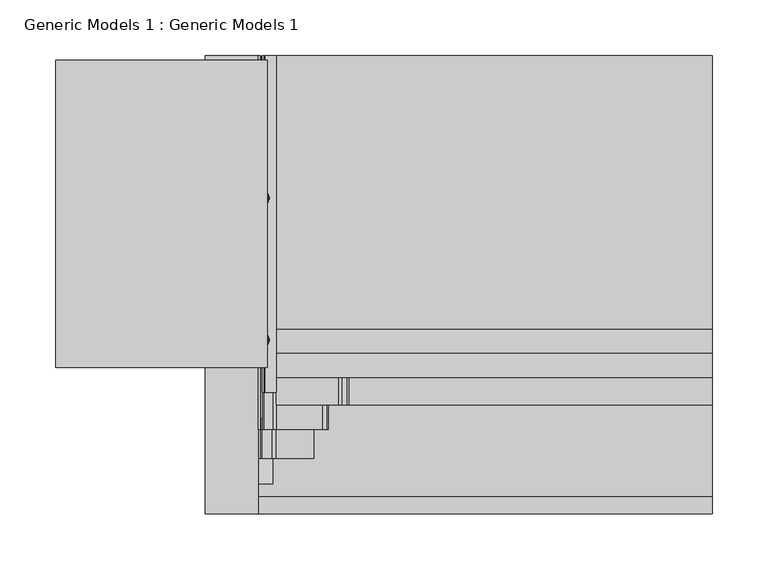
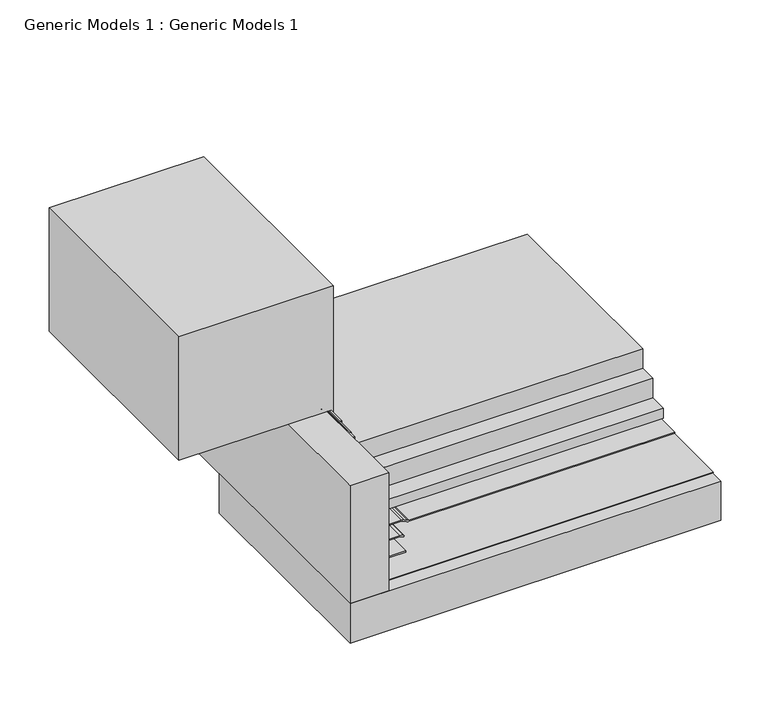
"""IFC4 building model written with IfcOpenShell, lengths in millimetres: proxy geometry, Generic Models 1 : Generic Models 1."""

from ifc_helpers import new_model, si_unit, point, frame, frame_2d, origin, place, context, project, spatial, polyline, circle_curve, trimmed, segment, composite_curve, outline, extrude, source, transform, mapped, element, save
from ifc_brep_helpers import plane_surface, cylinder_surface, revolved_surface, advanced_brep


def generic_models_1_generic_models_1_4bc84aa1(model_context):
    return source(origin(), model_context, "Body", "SolidModel", [
        extrude(outline(polyline([(96.0545081, 393.8469389), (487.9169046, 393.8469389), (487.9169046, 149.7652949), (96.0545081, 149.7652949), (96.0545081, 393.8469389)])), frame((0.0, 0.0, 233.3625), z_axis=(0.0, 0.0, 1.0), x_axis=(1.0, 0.0, 0.0)), (0.0, 0.0, 1.0), 25.4),
        extrude(outline(polyline([(96.0545081, 393.8469389), (487.9169046, 393.8469389), (487.9169046, 128.3782106), (96.0545081, 128.3782106), (96.0545081, 393.8469389)])), frame((0.0, 0.0, 207.9625), z_axis=(0.0, 0.0, 1.0), x_axis=(1.0, 0.0, 0.0)), (0.0, 0.0, 1.0), 25.4),
        extrude(outline(polyline([(96.0545081, 393.8469389), (487.9169046, 393.8469389), (487.9169046, 106.2450425), (96.0545081, 106.2450425), (96.0545081, 393.8469389)])), frame((0.0, 0.0, 195.2625), z_axis=(0.0, 0.0, 1.0), x_axis=(1.0, 0.0, 0.0)), (0.0, 0.0, 1.0), 12.7),
        extrude(outline(polyline([(35.0378202, 261.3017557), (487.9169046, 261.3017557), (487.9169046, -15.8013273), (35.0378202, -15.8013273), (35.0378202, 261.3017557)])), frame((0.0, 0.0, 137.31875), z_axis=(0.0, 0.0, 1.0), x_axis=(1.0, 0.0, 0.0)), (0.0, 0.0, 1.0), 50.8),
        extrude(outline(polyline([(340.51875, 87.3125), (310.5791141, 87.3125), (310.5791141, 90.4513986), (499.9960988, 90.4513986), (499.9960988, -98.425), (340.51875, -98.425), (340.51875, 87.3125)])), frame((0.0, 115.2679192, 0.0), z_axis=(0.0, 1.0, 0.0), x_axis=(0.0, 0.0, 1.0)), (0.0, 0.0, 1.0), 274.739507),
        extrude(outline(composite_curve([segment(trimmed(circle_curve(frame_2d((339.725, 84.93125)), 0.79375), [point((339.725, 85.725))], [point((339.725, 84.1375))], False, "CARTESIAN"), True, "CONTINUOUS"), segment(polyline([(339.725, 84.1375), (314.5968614, 84.1375)]), True, "CONTINUOUS"), segment(trimmed(circle_curve(frame_2d((314.5968614, 84.93125)), 0.79375), [point((314.5968614, 84.1375))], [point((314.5968614, 85.725))], False, "CARTESIAN"), True, "CONTINUOUS"), segment(polyline([(314.5968614, 85.725), (339.725, 85.725)]), True, "CONTINUOUS")], self_intersect=False)), frame((0.0, 69.4715508, 0.0), z_axis=(0.0, 1.0, 0.0), x_axis=(0.0, 0.0, 1.0)), (0.0, 0.0, 1.0), 235.3284492),
        extrude(outline(composite_curve([segment(polyline([(340.51875, 87.3125), (340.51875, 85.725), (274.6141889, 85.725)]), True, "CONTINUOUS"), segment(trimmed(circle_curve(frame_2d((274.6141889, 90.4875)), 4.7625), [point((274.6141889, 85.725))], [point((271.2465929, 87.119904))], False, "CARTESIAN"), True, "CONTINUOUS"), segment(polyline([(271.2465929, 87.119904), (261.1186627, 97.2478341), (262.2411947, 98.3703662), (272.3691249, 88.242436)]), True, "CONTINUOUS"), segment(trimmed(circle_curve(frame_2d((274.6141889, 90.4875)), 3.175), [point((272.3691249, 88.242436))], [point((274.6141889, 87.3125))], True, "CARTESIAN"), True, "CONTINUOUS"), segment(polyline([(274.6141889, 87.3125), (340.51875, 87.3125)]), True, "CONTINUOUS")], self_intersect=False)), frame((0.0, 92.6863112, 0.0), z_axis=(0.0, 1.0, 0.0), x_axis=(0.0, 0.0, 1.0)), (0.0, 0.0, 1.0), 301.1606278),
        advanced_brep(
        [(78.0547052, 266.7, 325.464534), (78.0547052, 266.7, 326.5091177), (75.0926407, 266.7, 325.9868258), (90.4875, 266.7, 325.464534), (90.4875, 266.7, 326.5091177), (90.4875, 266.7, 322.2980716), (90.4875, 266.7, 329.6755801), (91.2790658, 266.7, 322.2980716), (91.2790658, 266.7, 329.6755801), (91.2790658, 266.7, 324.6059786), (91.2790658, 266.7, 327.3676731), (92.0888577, 266.7, 324.6059786), (92.0888577, 266.7, 327.3676731), (92.0888577, 266.7, 325.9868258)],
        [
            (0, 1, circle_curve(frame((78.0547052, 266.7, 325.9868258), z_axis=(-1.0, 0.0, 0.0), x_axis=(0.0, 0.0, 1.0)), 0.5222919)),
            (1, 2),
            (2, 0),
            (1, 0, circle_curve(frame((78.0547052, 266.7, 325.9868258), z_axis=(-1.0, 0.0, 0.0), x_axis=(0.0, 0.0, 1.0)), 0.5222919)),
            (3, 4, circle_curve(frame((90.4875, 266.7, 325.9868258), z_axis=(-1.0, 0.0, 0.0), x_axis=(0.0, 0.0, 1.0)), 0.5222919)),
            (4, 1),
            (0, 3),
            (4, 3, circle_curve(frame((90.4875, 266.7, 325.9868258), z_axis=(-1.0, 0.0, 0.0), x_axis=(0.0, 0.0, 1.0)), 0.5222919)),
            (5, 6, circle_curve(frame((90.4875, 266.7, 325.9868258), z_axis=(-1.0, 0.0, 0.0), x_axis=(0.0, 0.0, 1.0)), 3.6887543)),
            (6, 4),
            (3, 5),
            (6, 5, circle_curve(frame((90.4875, 266.7, 325.9868258), z_axis=(-1.0, 0.0, 0.0), x_axis=(0.0, 0.0, 1.0)), 3.6887543)),
            (7, 8, circle_curve(frame((91.2790658, 266.7, 325.9868258), z_axis=(-1.0, 0.0, 0.0), x_axis=(0.0, 0.0, 1.0)), 3.6887543)),
            (8, 6),
            (5, 7),
            (8, 7, circle_curve(frame((91.2790658, 266.7, 325.9868258), z_axis=(-1.0, 0.0, 0.0), x_axis=(0.0, 0.0, 1.0)), 3.6887543)),
            (9, 10, circle_curve(frame((91.2790658, 266.7, 325.9868258), z_axis=(-1.0, 0.0, 0.0), x_axis=(0.0, 0.0, 1.0)), 1.3808472)),
            (10, 8),
            (7, 9),
            (10, 9, circle_curve(frame((91.2790658, 266.7, 325.9868258), z_axis=(-1.0, 0.0, 0.0), x_axis=(0.0, 0.0, 1.0)), 1.3808472)),
            (11, 12, circle_curve(frame((92.0888577, 266.7, 325.9868258), z_axis=(-1.0, 0.0, 0.0), x_axis=(0.0, 0.0, 1.0)), 1.3808472)),
            (12, 10),
            (9, 11),
            (12, 11, circle_curve(frame((92.0888577, 266.7, 325.9868258), z_axis=(-1.0, 0.0, 0.0), x_axis=(0.0, 0.0, 1.0)), 1.3808472)),
            (13, 12),
            (11, 13),
        ],
        [
            revolved_surface(polyline([(75.0926407, 266.7, 325.9868258), (78.0547052, 266.7, 326.5091177)]), (92.0888577, 266.7, 325.9868258), (1.0, 0.0, 0.0)),
            cylinder_surface(frame((92.0888577, 266.7, 325.9868258), z_axis=(1.0, 0.0, 0.0), x_axis=(0.0, 0.0, 1.0)), 0.5222919),
            plane_surface(frame((90.4875, 266.7, 325.9868258), z_axis=(-1.0, 0.0, 0.0), x_axis=(0.0, 0.0, 1.0))),
            cylinder_surface(frame((92.0888577, 266.7, 325.9868258), z_axis=(1.0, 0.0, 0.0), x_axis=(0.0, 0.0, 1.0)), 3.6887543),
            plane_surface(frame((91.2790658, 266.7, 325.9868258), z_axis=(1.0, 0.0, 0.0), x_axis=(0.0, 0.0, 1.0))),
            cylinder_surface(frame((92.0888577, 266.7, 325.9868258), z_axis=(1.0, 0.0, 0.0), x_axis=(0.0, 0.0, 1.0)), 1.3808472),
            plane_surface(frame((92.0888577, 266.7, 325.9868258), z_axis=(1.0, 0.0, 0.0), x_axis=(0.0, 0.0, 1.0))),
        ],
        [
            (0, [[1, 2, 3]]),
            (0, [[4, -3, -2]]),
            (1, [[5, 6, -1, 7]]),
            (1, [[8, -7, -4, -6]]),
            (2, [[9, 10, -5, 11]]),
            (2, [[12, -11, -8, -10]]),
            (3, [[13, 14, -9, 15]]),
            (3, [[16, -15, -12, -14]]),
            (4, [[17, 18, -13, 19]]),
            (4, [[20, -19, -16, -18]]),
            (5, [[21, 22, -17, 23]]),
            (5, [[24, -23, -20, -22]]),
            (6, [[25, -21, 26]]),
            (6, [[-26, -24, -25]]),
        ],
    ),
        advanced_brep(
        [(78.0547052, 139.7, 325.464534), (78.0547052, 139.7, 326.5091177), (75.0926407, 139.7, 325.9868258), (90.4875, 139.7, 325.464534), (90.4875, 139.7, 326.5091177), (90.4875, 139.7, 322.2980716), (90.4875, 139.7, 329.6755801), (91.2790658, 139.7, 322.2980716), (91.2790658, 139.7, 329.6755801), (91.2790658, 139.7, 324.6059786), (91.2790658, 139.7, 327.3676731), (92.0888577, 139.7, 324.6059786), (92.0888577, 139.7, 327.3676731), (92.0888577, 139.7, 325.9868258)],
        [
            (0, 1, circle_curve(frame((78.0547052, 139.7, 325.9868258), z_axis=(-1.0, 0.0, 0.0), x_axis=(0.0, 0.0, 1.0)), 0.5222919)),
            (1, 2),
            (2, 0),
            (1, 0, circle_curve(frame((78.0547052, 139.7, 325.9868258), z_axis=(-1.0, 0.0, 0.0), x_axis=(0.0, 0.0, 1.0)), 0.5222919)),
            (3, 4, circle_curve(frame((90.4875, 139.7, 325.9868258), z_axis=(-1.0, 0.0, 0.0), x_axis=(0.0, 0.0, 1.0)), 0.5222919)),
            (4, 1),
            (0, 3),
            (4, 3, circle_curve(frame((90.4875, 139.7, 325.9868258), z_axis=(-1.0, 0.0, 0.0), x_axis=(0.0, 0.0, 1.0)), 0.5222919)),
            (5, 6, circle_curve(frame((90.4875, 139.7, 325.9868258), z_axis=(-1.0, 0.0, 0.0), x_axis=(0.0, 0.0, 1.0)), 3.6887543)),
            (6, 4),
            (3, 5),
            (6, 5, circle_curve(frame((90.4875, 139.7, 325.9868258), z_axis=(-1.0, 0.0, 0.0), x_axis=(0.0, 0.0, 1.0)), 3.6887543)),
            (7, 8, circle_curve(frame((91.2790658, 139.7, 325.9868258), z_axis=(-1.0, 0.0, 0.0), x_axis=(0.0, 0.0, 1.0)), 3.6887543)),
            (8, 6),
            (5, 7),
            (8, 7, circle_curve(frame((91.2790658, 139.7, 325.9868258), z_axis=(-1.0, 0.0, 0.0), x_axis=(0.0, 0.0, 1.0)), 3.6887543)),
            (9, 10, circle_curve(frame((91.2790658, 139.7, 325.9868258), z_axis=(-1.0, 0.0, 0.0), x_axis=(0.0, 0.0, 1.0)), 1.3808472)),
            (10, 8),
            (7, 9),
            (10, 9, circle_curve(frame((91.2790658, 139.7, 325.9868258), z_axis=(-1.0, 0.0, 0.0), x_axis=(0.0, 0.0, 1.0)), 1.3808472)),
            (11, 12, circle_curve(frame((92.0888577, 139.7, 325.9868258), z_axis=(-1.0, 0.0, 0.0), x_axis=(0.0, 0.0, 1.0)), 1.3808472)),
            (12, 10),
            (9, 11),
            (12, 11, circle_curve(frame((92.0888577, 139.7, 325.9868258), z_axis=(-1.0, 0.0, 0.0), x_axis=(0.0, 0.0, 1.0)), 1.3808472)),
            (13, 12),
            (11, 13),
        ],
        [
            revolved_surface(polyline([(75.0926407, 139.7, 325.9868258), (78.0547052, 139.7, 326.5091177)]), (92.0888577, 139.7, 325.9868258), (1.0, 0.0, 0.0)),
            cylinder_surface(frame((92.0888577, 139.7, 325.9868258), z_axis=(1.0, 0.0, 0.0), x_axis=(0.0, 0.0, 1.0)), 0.5222919),
            plane_surface(frame((90.4875, 139.7, 325.9868258), z_axis=(-1.0, 0.0, 0.0), x_axis=(0.0, 0.0, 1.0))),
            cylinder_surface(frame((92.0888577, 139.7, 325.9868258), z_axis=(1.0, 0.0, 0.0), x_axis=(0.0, 0.0, 1.0)), 3.6887543),
            plane_surface(frame((91.2790658, 139.7, 325.9868258), z_axis=(1.0, 0.0, 0.0), x_axis=(0.0, 0.0, 1.0))),
            cylinder_surface(frame((92.0888577, 139.7, 325.9868258), z_axis=(1.0, 0.0, 0.0), x_axis=(0.0, 0.0, 1.0)), 1.3808472),
            plane_surface(frame((92.0888577, 139.7, 325.9868258), z_axis=(1.0, 0.0, 0.0), x_axis=(0.0, 0.0, 1.0))),
        ],
        [
            (0, [[1, 2, 3]]),
            (0, [[4, -3, -2]]),
            (1, [[5, 6, -1, 7]]),
            (1, [[8, -7, -4, -6]]),
            (2, [[9, 10, -5, 11]]),
            (2, [[12, -11, -8, -10]]),
            (3, [[13, 14, -9, 15]]),
            (3, [[16, -15, -12, -14]]),
            (4, [[17, 18, -13, 19]]),
            (4, [[20, -19, -16, -18]]),
            (5, [[21, 22, -17, 23]]),
            (5, [[24, -23, -20, -22]]),
            (6, [[25, -21, 26]]),
            (6, [[-26, -24, -25]]),
        ],
    ),
        extrude(outline(polyline([(82.55, 393.8469389), (487.9169046, 393.8469389), (487.9169046, 0.0), (82.55, 0.0), (82.55, 393.8469389)])), frame((0.0, 0.0, 188.9125), z_axis=(0.0, 0.0, 1.0), x_axis=(1.0, 0.0, 0.0)), (0.0, 0.0, 1.0), 0.79375),
        extrude(outline(composite_curve([segment(trimmed(circle_curve(frame_2d((187.325, 153.7084294)), 6.35), [point((193.675, 153.7084294))], [point((193.0800544, 156.3920554))], True, "CARTESIAN"), True, "CONTINUOUS"), segment(polyline([(193.0800544, 156.3920554), (191.0949456, 160.6491351)]), True, "CONTINUOUS"), segment(trimmed(circle_curve(frame_2d((196.85, 163.3327611)), 6.35), [point((191.0949456, 160.6491351))], [point((190.5, 163.3327611))], False, "CARTESIAN"), True, "CONTINUOUS"), segment(polyline([(190.5, 163.3327611), (190.5, 487.9169046), (192.0875, 487.9169046), (192.0875, 163.3327611)]), True, "CONTINUOUS"), segment(trimmed(circle_curve(frame_2d((196.85, 163.3327611)), 4.7625), [point((192.0875, 163.3327611))], [point((192.5337092, 161.3200416))], True, "CARTESIAN"), True, "CONTINUOUS"), segment(polyline([(192.5337092, 161.3200416), (194.5188181, 157.0629619)]), True, "CONTINUOUS"), segment(trimmed(circle_curve(frame_2d((187.325, 153.7084294)), 7.9375), [point((194.5188181, 157.0629619))], [point((195.2625, 153.7084294))], False, "CARTESIAN"), True, "CONTINUOUS"), segment(polyline([(195.2625, 153.7084294), (195.2625, 98.5378202), (193.675, 98.5378202), (193.675, 153.7084294)]), True, "CONTINUOUS")], self_intersect=False)), frame((0.0, 81.7939129, 0.0), z_axis=(0.0, 1.0, 0.0), x_axis=(0.0, 0.0, 1.0)), (0.0, 0.0, 1.0), 312.053026),
        extrude(outline(composite_curve([segment(polyline([(340.51875, 84.1375), (340.51875, 82.55), (236.8806049, 82.55)]), True, "CONTINUOUS"), segment(trimmed(circle_curve(frame_2d((236.8806049, 88.9)), 6.35), [point((236.8806049, 82.55))], [point((233.8064244, 83.34375))], False, "CARTESIAN"), True, "CONTINUOUS"), segment(trimmed(circle_curve(frame_2d((230.7322439, 77.7875)), 6.35), [point((233.8064244, 83.34375))], [point((230.7322439, 84.1375))], True, "CARTESIAN"), True, "CONTINUOUS"), segment(polyline([(230.7322439, 84.1375), (206.4878202, 84.1375)]), True, "CONTINUOUS"), segment(trimmed(circle_curve(frame_2d((206.4878202, 90.4875)), 6.35), [point((206.4878202, 84.1375))], [point((201.9976921, 85.9973719))], False, "CARTESIAN"), True, "CONTINUOUS"), segment(polyline([(201.9976921, 85.9973719), (193.9473719, 94.0476921)]), True, "CONTINUOUS"), segment(trimmed(circle_curve(frame_2d((198.4375, 98.5378202)), 6.35), [point((193.9473719, 94.0476921))], [point((192.0875, 98.5378202))], False, "CARTESIAN"), True, "CONTINUOUS"), segment(polyline([(192.0875, 98.5378202), (192.0875, 139.6852414)]), True, "CONTINUOUS"), segment(trimmed(circle_curve(frame_2d((185.7375, 139.6852414)), 6.35), [point((192.0875, 139.6852414))], [point((191.2367613, 142.8602414))], True, "CARTESIAN"), True, "CONTINUOUS"), segment(polyline([(191.2367613, 142.8602414), (190.5, 144.1363494), (191.8748153, 144.9300994), (192.6115766, 143.6539914)]), True, "CONTINUOUS"), segment(trimmed(circle_curve(frame_2d((185.7375, 139.6852414)), 7.9375), [point((192.6115766, 143.6539914))], [point((193.675, 139.6852414))], False, "CARTESIAN"), True, "CONTINUOUS"), segment(polyline([(193.675, 139.6852414), (193.675, 98.5378202)]), True, "CONTINUOUS"), segment(trimmed(circle_curve(frame_2d((198.4375, 98.5378202)), 4.7625), [point((193.675, 98.5378202))], [point((195.069904, 95.1702241))], True, "CARTESIAN"), True, "CONTINUOUS"), segment(polyline([(195.069904, 95.1702241), (203.1202241, 87.119904)]), True, "CONTINUOUS"), segment(trimmed(circle_curve(frame_2d((206.4878202, 90.4875)), 4.7625), [point((203.1202241, 87.119904))], [point((206.4878202, 85.725))], True, "CARTESIAN"), True, "CONTINUOUS"), segment(polyline([(206.4878202, 85.725), (230.7322439, 85.725)]), True, "CONTINUOUS"), segment(trimmed(circle_curve(frame_2d((230.7322439, 77.7875)), 7.9375), [point((230.7322439, 85.725))], [point((234.5749695, 84.7328125))], False, "CARTESIAN"), True, "CONTINUOUS"), segment(trimmed(circle_curve(frame_2d((236.8806049, 88.9)), 4.7625), [point((234.5749695, 84.7328125))], [point((236.8806049, 84.1375))], True, "CARTESIAN"), True, "CONTINUOUS"), segment(polyline([(236.8806049, 84.1375), (340.51875, 84.1375)]), True, "CONTINUOUS")], self_intersect=False)), frame((0.0, 59.8326116, 0.0), z_axis=(0.0, 1.0, 0.0), x_axis=(0.0, 0.0, 1.0)), (0.0, 0.0, 1.0), 334.0143273),
        extrude(outline(composite_curve([segment(trimmed(circle_curve(frame_2d((205.8302561, 88.9)), 6.35), [point((205.8302561, 82.55))], [point((201.3401281, 84.4098719))], False, "CARTESIAN"), True, "CONTINUOUS"), segment(polyline([(201.3401281, 84.4098719), (192.3598719, 93.3901281)]), True, "CONTINUOUS"), segment(trimmed(circle_curve(frame_2d((196.85, 97.8802561)), 6.35), [point((192.3598719, 93.3901281))], [point((190.5, 97.8802561))], False, "CARTESIAN"), True, "CONTINUOUS"), segment(polyline([(190.5, 97.8802561), (190.5, 132.159375), (192.0875, 132.159375), (192.0875, 97.8802561)]), True, "CONTINUOUS"), segment(trimmed(circle_curve(frame_2d((196.85, 97.8802561)), 4.7625), [point((192.0875, 97.8802561))], [point((193.482404, 94.5126601))], True, "CARTESIAN"), True, "CONTINUOUS"), segment(polyline([(193.482404, 94.5126601), (202.4626601, 85.532404)]), True, "CONTINUOUS"), segment(trimmed(circle_curve(frame_2d((205.8302561, 88.9)), 4.7625), [point((202.4626601, 85.532404))], [point((205.8302561, 84.1375))], True, "CARTESIAN"), True, "CONTINUOUS"), segment(polyline([(205.8302561, 84.1375), (228.6, 84.1375), (228.6, 82.55), (205.8302561, 82.55)]), True, "CONTINUOUS")], self_intersect=False)), frame((0.0, 34.1351637, 0.0), z_axis=(0.0, 1.0, 0.0), x_axis=(0.0, 0.0, 1.0)), (0.0, 0.0, 1.0), 359.7117752),
        extrude(outline(polyline([(203.2, 82.55), (190.5, 82.55), (190.5, 95.25), (203.2, 82.55)])), frame((0.0, 10.9586873, 0.0), z_axis=(0.0, 1.0, 0.0), x_axis=(0.0, 0.0, 1.0)), (0.0, 0.0, 1.0), 382.8882516),
        extrude(outline(polyline([(82.55, -15.8013273), (35.0378202, -15.8013273), (35.0378202, 393.8469389), (82.55, 393.8469389), (82.55, -15.8013273)])), frame((0.0, 0.0, 188.11875), z_axis=(0.0, 0.0, 1.0), x_axis=(1.0, 0.0, 0.0)), (0.0, 0.0, 1.0), 152.4),
    ])


if __name__ == "__main__":
    model = new_model("IFC4")
    model_context = context("Model", 3, world=origin())
    ifc_project = project(units=[si_unit("LENGTHUNIT", "METRE", prefix="MILLI")], contexts=[model_context])
    site = spatial("IfcSite", under=ifc_project)
    building = spatial("IfcBuilding", under=site)
    placement = place(None, origin())
    generic_models_1_generic_models_1_shape = generic_models_1_generic_models_1_4bc84aa1(model_context)
    element("IfcBuildingElementProxy", 1, Name="Generic Models 1 : Generic Models 1", ObjectType="Generic Models 1 : Generic Models 1", at=placement, inside=building, context=model_context, shape_type="MappedRepresentation", body=[
        mapped(generic_models_1_generic_models_1_shape, transform((0.0, 0.0, 0.0), x_axis=(1.0, 0.0, 0.0), y_axis=(0.0, 1.0, 0.0), z_axis=(0.0, 0.0, 1.0))),
    ])
    save(model, "model.ifc")
